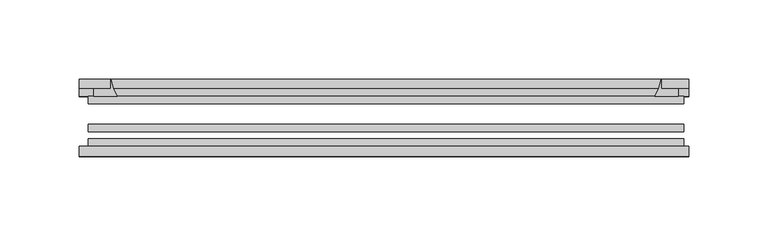
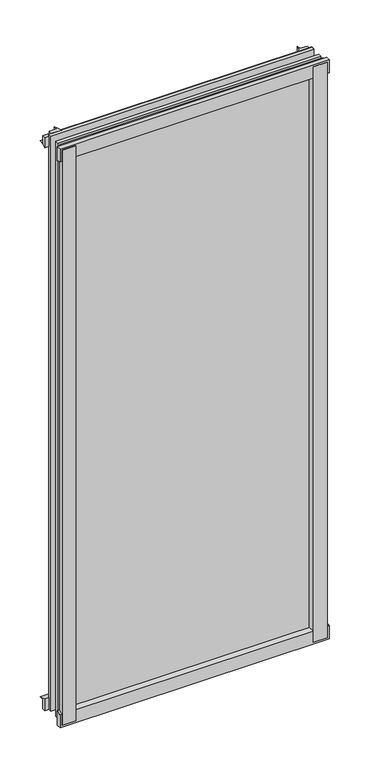
"""IFC4 building model written with IfcOpenShell, lengths in millimetres: plate geometry."""

from ifc_helpers import new_model, si_unit, point, frame, frame_2d, origin, place, context, project, spatial, polyline, circle_curve, trimmed, segment, composite_curve, outline, extrude, source, transform, mapped, element, save


def plate_f9462e3f(model_context):
    return source(origin(), model_context, "Body", "SweptSolid", [
        extrude(outline(composite_curve([segment(polyline([(-190.6692461, -78.7828625), (-169.2480448, -78.7828625)]), True, "CONTINUOUS"), segment(trimmed(circle_curve(frame_2d((-161.6108792, -84.652782)), 9.6323545), [point((-169.2480448, -78.7828625))], [point((-171.2312626, -85.1328625))], True, "CARTESIAN"), True, "CONTINUOUS"), segment(polyline([(-171.2312626, -85.1328625), (-190.6692461, -85.1328625), (-190.6692461, -78.7828625)]), True, "CONTINUOUS")], self_intersect=False)), frame((0.0, 0.0, -14.2875), z_axis=(0.0, 0.0, 1.0), x_axis=(1.0, 0.0, 0.0)), (0.0, 0.0, 1.0), 869.95),
        extrude(outline(composite_curve([segment(polyline([(188.1314652, -78.7828625), (188.1314652, -85.1328625), (168.6515751, -85.1328625)]), True, "CONTINUOUS"), segment(trimmed(circle_curve(frame_2d((159.0311917, -84.652782)), 9.6323545), [point((168.6515751, -85.1328625))], [point((166.6683573, -78.7828625))], True, "CARTESIAN"), True, "CONTINUOUS"), segment(polyline([(166.6683573, -78.7828625), (188.1314652, -78.7828625)]), True, "CONTINUOUS")], self_intersect=False)), frame((0.0, 0.0, -14.2875), z_axis=(0.0, 0.0, 1.0), x_axis=(1.0, 0.0, 0.0)), (0.0, 0.0, 1.0), 869.95),
        extrude(outline(composite_curve([segment(polyline([(-47.1852625, -14.2875), (-47.1852625, 3.9588469)]), True, "CONTINUOUS"), segment(trimmed(circle_curve(frame_2d((-30.6824422, 32.267054)), 32.7673262), [point((-47.1852625, 3.9588469))], [point((-36.3503395, -0.00635))], True, "CARTESIAN"), True, "CONTINUOUS"), segment(polyline([(-36.3503395, -0.00635), (-42.2830625, -0.00635), (-42.2830625, -14.2875), (-47.1852625, -14.2875)]), True, "CONTINUOUS")], self_intersect=False)), frame((-193.8442461, 0.0, 0.0), z_axis=(1.0, 0.0, 0.0), x_axis=(0.0, 1.0, 0.0)), (0.0, 0.0, 1.0), 385.1088047),
        extrude(outline(composite_curve([segment(polyline([(-78.7828625, -16.8821065), (-85.1328625, -16.8821065), (-85.1328625, 2.5977835)]), True, "CONTINUOUS"), segment(trimmed(circle_curve(frame_2d((-84.652782, 12.2181669)), 9.6323545), [point((-85.1328625, 2.5977835))], [point((-78.7828625, 4.5810013))], True, "CARTESIAN"), True, "CONTINUOUS"), segment(polyline([(-78.7828625, 4.5810013), (-78.7828625, -16.8821065)]), True, "CONTINUOUS")], self_intersect=False)), frame((-193.8442461, 0.0, 0.0), z_axis=(1.0, 0.0, 0.0), x_axis=(0.0, 1.0, 0.0)), (0.0, 0.0, 1.0), 385.1088047),
        extrude(outline(composite_curve([segment(polyline([(-47.1852625, 837.4034531), (-47.1852625, 852.0752564), (-42.2830625, 852.0752564), (-42.2830625, 841.375), (-36.3140625, 841.375)]), True, "CONTINUOUS"), segment(trimmed(circle_curve(frame_2d((-30.6824422, 809.095246)), 32.7673262), [point((-36.3140625, 841.375))], [point((-47.1852625, 837.4034531))], True, "CARTESIAN"), True, "CONTINUOUS")], self_intersect=False)), frame((-193.8442461, 0.0, 0.0), z_axis=(1.0, 0.0, 0.0), x_axis=(0.0, 1.0, 0.0)), (0.0, 0.0, 1.0), 385.1088047),
        extrude(outline(composite_curve([segment(polyline([(-78.7828625, 858.2444065), (-78.7828625, 836.7812987)]), True, "CONTINUOUS"), segment(trimmed(circle_curve(frame_2d((-84.652782, 829.1441331)), 9.6323545), [point((-78.7828625, 836.7812987))], [point((-85.1328625, 838.7645165))], True, "CARTESIAN"), True, "CONTINUOUS"), segment(polyline([(-85.1328625, 838.7645165), (-85.1328625, 858.2444065), (-78.7828625, 858.2444065)]), True, "CONTINUOUS")], self_intersect=False)), frame((-193.8442461, 0.0, 0.0), z_axis=(1.0, 0.0, 0.0), x_axis=(0.0, 1.0, 0.0)), (0.0, 0.0, 1.0), 385.1088047),
        extrude(outline(composite_curve([segment(trimmed(circle_curve(frame_2d((141.5223046, -30.6824422)), 32.7673262), [point((169.8305117, -47.1852625))], [point((173.8020586, -36.3140625))], True, "CARTESIAN"), True, "CONTINUOUS"), segment(polyline([(173.8020586, -36.3140625), (173.8020586, -42.2830625), (184.502424, -42.2830625), (184.502424, -47.1852625), (169.8305117, -47.1852625)]), True, "CONTINUOUS")], self_intersect=False)), frame((0.0, 0.0, -14.2875), z_axis=(0.0, 0.0, 1.0), x_axis=(1.0, 0.0, 0.0)), (0.0, 0.0, 1.0), 869.95),
        extrude(outline(composite_curve([segment(polyline([(-169.8305117, -47.1852625), (-184.4972678, -47.1852625), (-184.4972678, -42.2830625), (-173.8020586, -42.2830625), (-173.8020586, -36.3140625)]), True, "CONTINUOUS"), segment(trimmed(circle_curve(frame_2d((-141.5223046, -30.6824422)), 32.7673262), [point((-173.8020586, -36.3140625))], [point((-169.8305117, -47.1852625))], True, "CARTESIAN"), True, "CONTINUOUS")], self_intersect=False)), frame((0.0, 0.0, -14.2875), z_axis=(0.0, 0.0, 1.0), x_axis=(1.0, 0.0, 0.0)), (0.0, 0.0, 1.0), 869.95),
        extrude(outline(polyline([(188.0895586, -64.6604625), (188.0895586, -69.4356625), (-188.0895586, -69.4356625), (-188.0895586, -64.6604625), (188.0895586, -64.6604625)])), frame((0.0, 0.0, -14.2875), z_axis=(0.0, 0.0, 1.0), x_axis=(1.0, 0.0, 0.0)), (0.0, 0.0, 1.0), 869.95),
        extrude(outline(polyline([(-188.0895586, -78.7828625), (-188.0895586, -74.0076625), (188.0895586, -74.0076625), (188.0895586, -78.7828625), (-188.0895586, -78.7828625)])), frame((0.0, 0.0, -14.2875), z_axis=(0.0, 0.0, 1.0), x_axis=(1.0, 0.0, 0.0)), (0.0, 0.0, 1.0), 869.95),
        extrude(outline(polyline([(-188.0895586, -47.1852625), (188.0895586, -47.1852625), (188.0895586, -51.9604625), (-188.0895586, -51.9604625), (-188.0895586, -47.1852625)])), frame((0.0, 0.0, -14.2875), z_axis=(0.0, 0.0, 1.0), x_axis=(1.0, 0.0, 0.0)), (0.0, 0.0, 1.0), 869.95),
    ])


if __name__ == "__main__":
    model = new_model("IFC4")
    model_context = context("Model", 3, world=origin())
    ifc_project = project(units=[si_unit("LENGTHUNIT", "METRE", prefix="MILLI")], contexts=[model_context])
    site = spatial("IfcSite", under=ifc_project)
    building = spatial("IfcBuilding", under=site)
    placement = place(None, origin())
    plate_shape = plate_f9462e3f(model_context)
    element("IfcPlate", 1, at=placement, inside=building, context=model_context, shape_type="MappedRepresentation", body=[
        mapped(plate_shape, transform((0.0, 0.0, 0.0), x_axis=(1.0, 0.0, 0.0), y_axis=(0.0, 1.0, 0.0), z_axis=(0.0, 0.0, 1.0))),
    ])
    save(model, "model.ifc")
